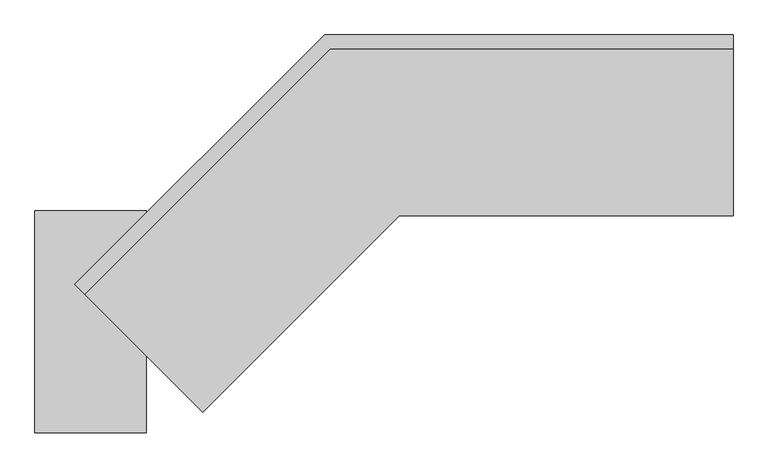
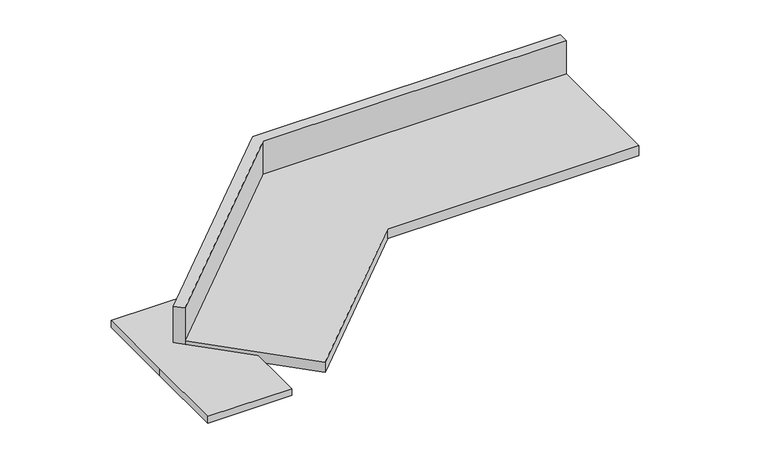
"""IFC4 building model written with IfcOpenShell, lengths in millimetres: proxy geometry."""

import ifcopenshell
import ifcopenshell.guid

model = None  # the IFC model being written
_history = None  # IfcOwnerHistory: only IFC2X3 demands one
_inside = {}  # id of a spatial element -> (the spatial element, [elements in it])
_under = {}  # id of a project, library or spatial element -> (it, [spatial elements below it])
_declared = {}  # id of a project -> (the project, [libraries it declares])
_typed = {}  # id of a type object -> (the type object, [elements of that type])
_made_of = {}  # id of a material, layer set ... -> (it, [elements and type objects made of it])


def new_model(schema):
    """Start an empty IFC model of exactly this schema.

    Asked for "IFC4X3", IfcOpenShell would pick the latest addendum, in which some entities
    have other attributes; the version numbers below select the first issue.
    IFC2X3 requires an IfcOwnerHistory on every rooted entity: one is made here for all.
    """
    global model, _history
    if schema == "IFC4X3":
        model = ifcopenshell.file(schema_version=(4, 3, 0, 0))
    else:
        model = ifcopenshell.file(schema=schema)
    _inside.clear()
    _under.clear()
    _declared.clear()
    _typed.clear()
    _made_of.clear()
    _history = None
    if model.schema == "IFC2X3":
        org = make("IfcOrganization", Name="unknown")
        user = make(
            "IfcPersonAndOrganization",
            ThePerson=make("IfcPerson", FamilyName="unknown"),
            TheOrganization=org,
        )
        app = make(
            "IfcApplication",
            ApplicationDeveloper=org,
            Version="unknown",
            ApplicationFullName="unknown",
            ApplicationIdentifier="unknown",
        )
        _history = make(
            "IfcOwnerHistory",
            OwningUser=user,
            OwningApplication=app,
            ChangeAction="ADDED",
            CreationDate=0,
        )
    return model


def make(cls, **values):
    """One entity of the class cls with the attributes given. An attribute that is None is left unset."""
    return model.create_entity(
        cls, **{name: value for name, value in values.items() if value is not None}
    )


def rooted(cls, **values):
    """An entity with a GlobalId (a new one), such as an element, a storey or a relation."""
    return make(cls, GlobalId=ifcopenshell.guid.new(), OwnerHistory=_history, **values)


def si_unit(unit_type, name, prefix=None):
    """IfcSIUnit, for example si_unit("LENGTHUNIT", "METRE", prefix="MILLI")."""
    return make("IfcSIUnit", UnitType=unit_type, Prefix=prefix, Name=name)


def assignment(units):
    """IfcUnitAssignment: the units of a project."""
    return None if units is None else make("IfcUnitAssignment", Units=units)


def point(xyz):
    """IfcCartesianPoint."""
    return None if xyz is None else make("IfcCartesianPoint", Coordinates=xyz)


def direction(xyz):
    """IfcDirection."""
    return None if xyz is None else make("IfcDirection", DirectionRatios=xyz)


def frame(location, z_axis=None, x_axis=None):
    """IfcAxis2Placement3D, a coordinate frame: its origin and axes. An axis left out is left unset."""
    return make(
        "IfcAxis2Placement3D",
        Location=point(location),
        Axis=direction(z_axis),
        RefDirection=direction(x_axis),
    )


def origin():
    """The frame at (0, 0, 0) with its axes left unset."""
    return frame((0.0, 0.0, 0.0))


def place(relative_to, where):
    """IfcLocalPlacement: puts the frame where relative to a parent placement (None: the world)."""
    return make(
        "IfcLocalPlacement", PlacementRelTo=relative_to, RelativePlacement=where
    )


def context(
    kind, dimensions, precision=None, world=None, true_north=None, identifier=None
):
    """IfcGeometricRepresentationContext, for example the 3D "Model" context."""
    return make(
        "IfcGeometricRepresentationContext",
        ContextIdentifier=identifier,
        ContextType=kind,
        CoordinateSpaceDimension=dimensions,
        Precision=precision,
        WorldCoordinateSystem=world,
        TrueNorth=true_north,
    )


def project(units=None, contexts=None):
    """IfcProject with its units and contexts."""
    return rooted(
        "IfcProject",
        Name="project",
        RepresentationContexts=contexts,
        UnitsInContext=assignment(units),
    )


def spatial(cls, under=None, at=None, **own):
    """A site, building, storey or space (cls), placed at a placement, below another one or the project."""
    s = rooted(cls, ObjectPlacement=at, **own)
    if under is not None:
        _under.setdefault(under.id(), (under, []))[1].append(s)
    return s


def polyline(points):
    """IfcPolyline through the points."""
    return make("IfcPolyline", Points=[point(p) for p in points])


def outline(outer, holes=None, kind="AREA"):
    """IfcArbitraryClosedProfileDef: a profile drawn as a closed curve; with holes, ...WithVoids."""
    if holes is None:
        return make("IfcArbitraryClosedProfileDef", ProfileType=kind, OuterCurve=outer)
    return make(
        "IfcArbitraryProfileDefWithVoids",
        ProfileType=kind,
        OuterCurve=outer,
        InnerCurves=holes,
    )


def extrude(swept, where, along, depth):
    """IfcExtrudedAreaSolid: the profile swept, set in the frame where, extruded along a direction by depth."""
    return make(
        "IfcExtrudedAreaSolid",
        SweptArea=swept,
        Position=where,
        ExtrudedDirection=direction(along),
        Depth=depth,
    )


def shape(context_of_items, identifier, shape_type, items):
    """IfcShapeRepresentation: the items that make up one representation, for example the "Body"."""
    return make(
        "IfcShapeRepresentation",
        ContextOfItems=context_of_items,
        RepresentationIdentifier=identifier,
        RepresentationType=shape_type,
        Items=items,
    )


def source(mapping_origin, context_of_items, identifier, shape_type, items):
    """IfcRepresentationMap: a shape defined once, which mapped items show again and again."""
    return make(
        "IfcRepresentationMap",
        MappingOrigin=mapping_origin,
        MappedRepresentation=shape(context_of_items, identifier, shape_type, items),
    )


def transform(
    local_origin,
    x_axis=None,
    y_axis=None,
    z_axis=None,
    scale=None,
    scale2=None,
    scale3=None,
    uniform=True,
):
    """IfcCartesianTransformationOperator3D, or its non-uniform kind. x_axis, y_axis, z_axis: its Axis1, 2, 3."""
    if uniform:
        return make(
            "IfcCartesianTransformationOperator3D",
            Axis1=direction(x_axis),
            Axis2=direction(y_axis),
            LocalOrigin=point(local_origin),
            Scale=scale,
            Axis3=direction(z_axis),
        )
    return make(
        "IfcCartesianTransformationOperator3DnonUniform",
        Axis1=direction(x_axis),
        Axis2=direction(y_axis),
        LocalOrigin=point(local_origin),
        Scale=scale,
        Axis3=direction(z_axis),
        Scale2=scale2,
        Scale3=scale3,
    )


def mapped(mapping_source, mapping_target):
    """IfcMappedItem: shows the shape of a source again, moved by a transform."""
    return make(
        "IfcMappedItem", MappingSource=mapping_source, MappingTarget=mapping_target
    )


def made_of(thing, what):
    """Note that an element or type object is made of a material, layer set ...; save() writes the relation."""
    if what is not None:
        _made_of.setdefault(what.id(), (what, []))[1].append(thing)
    return thing


def element(
    cls,
    number,
    at=None,
    inside=None,
    cuts=None,
    type_object=None,
    material=None,
    context=None,
    identifier="Body",
    shape_type=None,
    held_by="IfcProductDefinitionShape",
    body=None,
    shapes=None,
    **own,
):
    """One element of the class cls, such as IfcWall. Its Tag is "e" and its number.

    at: its placement. inside: the storey or other place that contains it. cuts: it is an
    opening in that element (IfcRelVoidsElement). A single representation is given by context,
    identifier, shape_type and body (its items); several are given by shapes. held_by: the class
    of the entity that holds the representations. save() writes the other relations.
    """
    e = rooted(cls, Tag="e%d" % number, ObjectPlacement=at, **own)
    if body is not None:
        shapes = [shape(context, identifier, shape_type, body)]
    if shapes is not None:
        e.Representation = make(held_by, Representations=shapes)
    if inside is not None:
        _inside.setdefault(inside.id(), (inside, []))[1].append(e)
    if cuts is not None:
        rooted(
            "IfcRelVoidsElement", RelatingBuildingElement=cuts, RelatedOpeningElement=e
        )
    if type_object is not None:
        _typed.setdefault(type_object.id(), (type_object, []))[1].append(e)
    return made_of(e, material)


def aggregate(whole, parts):
    """IfcRelAggregates: a whole, such as a stair, and the parts it consists of."""
    return rooted("IfcRelAggregates", RelatingObject=whole, RelatedObjects=parts)


def save(model, path):
    """Write the relations noted so far, then the file.

    IfcRelAggregates (storeys below a building ...), IfcRelContainedInSpatialStructure (elements
    in a storey), IfcRelDefinesByType, IfcRelAssociatesMaterial and IfcRelDeclares: one each for
    every whole, place, type object, material and project.
    """
    for whole, parts in _under.values():
        aggregate(whole, parts)
    for where, things in _inside.values():
        rooted(
            "IfcRelContainedInSpatialStructure",
            RelatedElements=things,
            RelatingStructure=where,
        )
    for kind, things in _typed.values():
        rooted("IfcRelDefinesByType", RelatedObjects=things, RelatingType=kind)
    for what, things in _made_of.values():
        rooted("IfcRelAssociatesMaterial", RelatedObjects=things, RelatingMaterial=what)
    for by, libraries in _declared.values():
        rooted("IfcRelDeclares", RelatingContext=by, RelatedDefinitions=libraries)
    model.write(path)


def specialty_equipment_98d5d29f(model_context):
    return source(origin(), model_context, "Body", "SweptSolid", [
        extrude(outline(polyline([(656.9660168, 747.8563381), (-15.7601301, 75.1301912), (-42.7008985, 102.0709596), (641.1844801, 785.9563381), (1760.7444575, 785.9563381), (1760.7444575, 747.8563381), (656.9660168, 747.8563381)])), frame((0.0, 0.0, 838.2), z_axis=(0.0, 0.0, 1.0), x_axis=(1.0, 0.0, 0.0)), (0.0, 0.0, 1.0), 165.1),
        extrude(outline(polyline([(1760.7444575, 290.6563381), (846.3444575, 290.6563381), (307.5290903, -248.1590292), (-15.7601301, 75.1301912), (656.9660168, 747.8563381), (1760.7444575, 747.8563381), (1760.7444575, 290.6563381)])), frame((0.0, 0.0, 838.2), z_axis=(0.0, 0.0, 1.0), x_axis=(1.0, 0.0, 0.0)), (0.0, 0.0, 1.0), 38.1),
        extrude(outline(polyline([(-152.4, 304.8), (152.4, 304.8), (152.4, -304.8), (-152.4, -304.8), (-152.4, 0.0), (-152.4, 304.8)])), frame((0.0, 0.0, 838.2), z_axis=(0.0, 0.0, 1.0), x_axis=(1.0, 0.0, 0.0)), (0.0, 0.0, 1.0), 25.4),
    ])


if __name__ == "__main__":
    model = new_model("IFC4")
    model_context = context("Model", 3, world=origin())
    ifc_project = project(units=[si_unit("LENGTHUNIT", "METRE", prefix="MILLI")], contexts=[model_context])
    site = spatial("IfcSite", under=ifc_project)
    building = spatial("IfcBuilding", under=site)
    placement = place(None, origin())
    specialty_equipment_shape = specialty_equipment_98d5d29f(model_context)
    element("IfcBuildingElementProxy", 1, Name="Specialty Equipment", at=placement, inside=building, context=model_context, shape_type="MappedRepresentation", body=[
        mapped(specialty_equipment_shape, transform((0.0, 0.0, 0.0), x_axis=(1.0, 0.0, 0.0), y_axis=(0.0, 1.0, 0.0), z_axis=(0.0, 0.0, 1.0))),
    ])
    save(model, "model.ifc")
